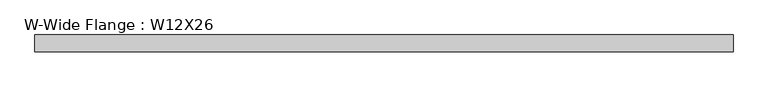
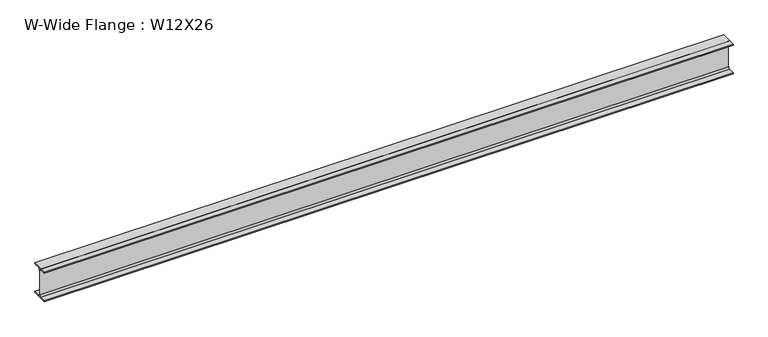
"""IFC4 building model written with IfcOpenShell, lengths in millimetres: beam geometry, W-Wide Flange : W12X26."""

from ifc_helpers import new_model, si_unit, point, frame, frame_2d, origin, place, context, project, spatial, polyline, circle_curve, trimmed, segment, composite_curve, outline, extrude, source, transform, mapped, element, save


def w_wide_flange_w12x26_ebe4d2d7(model_context):
    return source(origin(), model_context, "Body", "SweptSolid", [
        extrude(outline(composite_curve([segment(polyline([(82.4011719, -145.5539063), (82.4011719, -155.178125), (-82.4011719, -155.178125), (-82.4011719, -145.5539063), (-20.2902344, -145.5539063)]), True, "CONTINUOUS"), segment(trimmed(circle_curve(frame_2d((-20.2902344, -128.190625)), 17.3632812), [point((-20.2902344, -145.5539063))], [point((-2.9269531, -128.190625))], True, "CARTESIAN"), True, "CONTINUOUS"), segment(polyline([(-2.9269531, -128.190625), (-2.9269531, 128.190625)]), True, "CONTINUOUS"), segment(trimmed(circle_curve(frame_2d((-20.2902344, 128.190625)), 17.3632812), [point((-2.9269531, 128.190625))], [point((-20.2902344, 145.5539062))], True, "CARTESIAN"), True, "CONTINUOUS"), segment(polyline([(-20.2902344, 145.5539062), (-82.4011719, 145.5539062), (-82.4011719, 155.178125), (82.4011719, 155.178125), (82.4011719, 145.5539062), (20.2902344, 145.5539062)]), True, "CONTINUOUS"), segment(trimmed(circle_curve(frame_2d((20.2902344, 128.190625)), 17.3632812), [point((20.2902344, 145.5539062))], [point((2.9269531, 128.190625))], True, "CARTESIAN"), True, "CONTINUOUS"), segment(polyline([(2.9269531, 128.190625), (2.9269531, -128.190625)]), True, "CONTINUOUS"), segment(trimmed(circle_curve(frame_2d((20.2902344, -128.190625)), 17.3632812), [point((2.9269531, -128.190625))], [point((20.2902344, -145.5539063))], True, "CARTESIAN"), True, "CONTINUOUS"), segment(polyline([(20.2902344, -145.5539063), (82.4011719, -145.5539063)]), True, "CONTINUOUS")], self_intersect=False)), frame((-3420.4175781, 0.0, 0.0), z_axis=(1.0, 0.0, 0.0), x_axis=(0.0, 1.0, 0.0)), (0.0, 0.0, 1.0), 6875.7601562),
    ])


if __name__ == "__main__":
    model = new_model("IFC4")
    model_context = context("Model", 3, world=origin())
    ifc_project = project(units=[si_unit("LENGTHUNIT", "METRE", prefix="MILLI")], contexts=[model_context])
    site = spatial("IfcSite", under=ifc_project)
    building = spatial("IfcBuilding", under=site)
    placement = place(None, origin())
    w_wide_flange_w12x26_shape = w_wide_flange_w12x26_ebe4d2d7(model_context)
    element("IfcBeam", 1, ObjectType="W-Wide Flange : W12X26", at=placement, inside=building, context=model_context, shape_type="MappedRepresentation", body=[
        mapped(w_wide_flange_w12x26_shape, transform((0.0, 0.0, 0.0), x_axis=(1.0, 0.0, 0.0), y_axis=(0.0, 1.0, 0.0), z_axis=(0.0, 0.0, 1.0))),
    ])
    save(model, "model.ifc")
